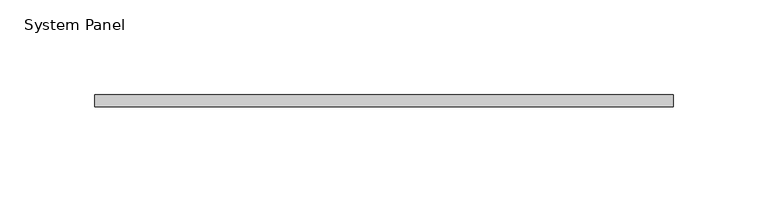
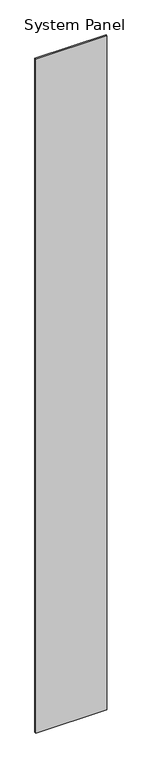
"""IFC4 building model written with IfcOpenShell, lengths in millimetres: plate geometry, System Panel."""

from ifc_helpers import new_model, si_unit, origin, origin_with_axes, place, context, project, spatial, polyline, outline, extrude, source, transform, mapped, element, save


def system_panel_0e8a3d8a(model_context):
    return source(origin(), model_context, "Body", "SweptSolid", [
        extrude(outline(polyline([(152.4, 0.0), (-152.4, 0.0), (-152.4, 6.35), (152.4, 6.35), (152.4, 0.0)])), origin_with_axes(), (0.0, 0.0, 1.0), 3048.0),
    ])


if __name__ == "__main__":
    model = new_model("IFC4")
    model_context = context("Model", 3, world=origin())
    ifc_project = project(units=[si_unit("LENGTHUNIT", "METRE", prefix="MILLI")], contexts=[model_context])
    site = spatial("IfcSite", under=ifc_project)
    building = spatial("IfcBuilding", under=site)
    placement = place(None, origin())
    system_panel_shape = system_panel_0e8a3d8a(model_context)
    element("IfcPlate", 1, ObjectType="System Panel", at=placement, inside=building, context=model_context, shape_type="MappedRepresentation", body=[
        mapped(system_panel_shape, transform((0.0, 0.0, 0.0), x_axis=(1.0, 0.0, 0.0), y_axis=(0.0, 1.0, 0.0), z_axis=(0.0, 0.0, 1.0))),
    ])
    save(model, "model.ifc")
